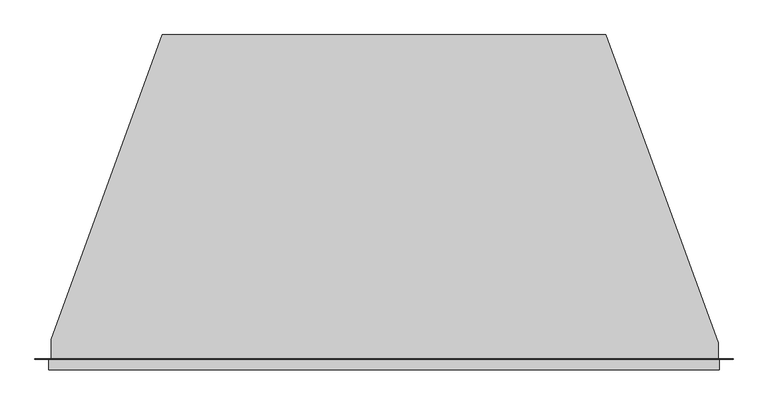
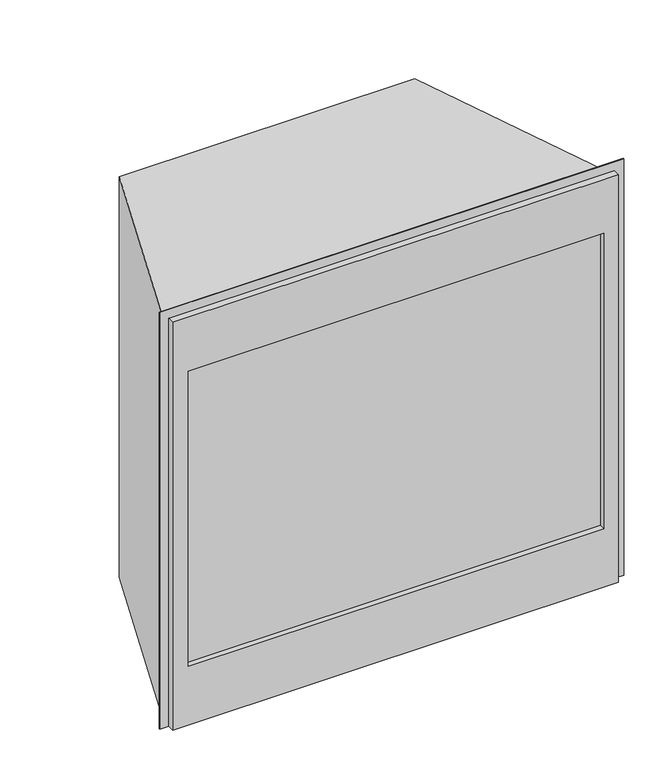
"""IFC4 building model written with IfcOpenShell, lengths in millimetres: proxy geometry."""

import ifcopenshell
import ifcopenshell.guid

model = None  # the IFC model being written
_history = None  # IfcOwnerHistory: only IFC2X3 demands one
_inside = {}  # id of a spatial element -> (the spatial element, [elements in it])
_under = {}  # id of a project, library or spatial element -> (it, [spatial elements below it])
_declared = {}  # id of a project -> (the project, [libraries it declares])
_typed = {}  # id of a type object -> (the type object, [elements of that type])
_made_of = {}  # id of a material, layer set ... -> (it, [elements and type objects made of it])


def new_model(schema):
    """Start an empty IFC model of exactly this schema.

    Asked for "IFC4X3", IfcOpenShell would pick the latest addendum, in which some entities
    have other attributes; the version numbers below select the first issue.
    IFC2X3 requires an IfcOwnerHistory on every rooted entity: one is made here for all.
    """
    global model, _history
    if schema == "IFC4X3":
        model = ifcopenshell.file(schema_version=(4, 3, 0, 0))
    else:
        model = ifcopenshell.file(schema=schema)
    _inside.clear()
    _under.clear()
    _declared.clear()
    _typed.clear()
    _made_of.clear()
    _history = None
    if model.schema == "IFC2X3":
        org = make("IfcOrganization", Name="unknown")
        user = make(
            "IfcPersonAndOrganization",
            ThePerson=make("IfcPerson", FamilyName="unknown"),
            TheOrganization=org,
        )
        app = make(
            "IfcApplication",
            ApplicationDeveloper=org,
            Version="unknown",
            ApplicationFullName="unknown",
            ApplicationIdentifier="unknown",
        )
        _history = make(
            "IfcOwnerHistory",
            OwningUser=user,
            OwningApplication=app,
            ChangeAction="ADDED",
            CreationDate=0,
        )
    return model


def make(cls, **values):
    """One entity of the class cls with the attributes given. An attribute that is None is left unset."""
    return model.create_entity(
        cls, **{name: value for name, value in values.items() if value is not None}
    )


def rooted(cls, **values):
    """An entity with a GlobalId (a new one), such as an element, a storey or a relation."""
    return make(cls, GlobalId=ifcopenshell.guid.new(), OwnerHistory=_history, **values)


def si_unit(unit_type, name, prefix=None):
    """IfcSIUnit, for example si_unit("LENGTHUNIT", "METRE", prefix="MILLI")."""
    return make("IfcSIUnit", UnitType=unit_type, Prefix=prefix, Name=name)


def assignment(units):
    """IfcUnitAssignment: the units of a project."""
    return None if units is None else make("IfcUnitAssignment", Units=units)


def point(xyz):
    """IfcCartesianPoint."""
    return None if xyz is None else make("IfcCartesianPoint", Coordinates=xyz)


def direction(xyz):
    """IfcDirection."""
    return None if xyz is None else make("IfcDirection", DirectionRatios=xyz)


def frame(location, z_axis=None, x_axis=None):
    """IfcAxis2Placement3D, a coordinate frame: its origin and axes. An axis left out is left unset."""
    return make(
        "IfcAxis2Placement3D",
        Location=point(location),
        Axis=direction(z_axis),
        RefDirection=direction(x_axis),
    )


def origin():
    """The frame at (0, 0, 0) with its axes left unset."""
    return frame((0.0, 0.0, 0.0))


def place(relative_to, where):
    """IfcLocalPlacement: puts the frame where relative to a parent placement (None: the world)."""
    return make(
        "IfcLocalPlacement", PlacementRelTo=relative_to, RelativePlacement=where
    )


def context(
    kind, dimensions, precision=None, world=None, true_north=None, identifier=None
):
    """IfcGeometricRepresentationContext, for example the 3D "Model" context."""
    return make(
        "IfcGeometricRepresentationContext",
        ContextIdentifier=identifier,
        ContextType=kind,
        CoordinateSpaceDimension=dimensions,
        Precision=precision,
        WorldCoordinateSystem=world,
        TrueNorth=true_north,
    )


def project(units=None, contexts=None):
    """IfcProject with its units and contexts."""
    return rooted(
        "IfcProject",
        Name="project",
        RepresentationContexts=contexts,
        UnitsInContext=assignment(units),
    )


def spatial(cls, under=None, at=None, **own):
    """A site, building, storey or space (cls), placed at a placement, below another one or the project."""
    s = rooted(cls, ObjectPlacement=at, **own)
    if under is not None:
        _under.setdefault(under.id(), (under, []))[1].append(s)
    return s


def faces_of(points, faces, orient=None, outer=None):
    """IfcFace entities. A face is a list of loops; a loop is a list of indices into points, from 0.

    orient and outer hold one flag for each loop. By default every Orientation is true, the
    first loop of a face is its IfcFaceOuterBound and the others are IfcFaceBound.
    """
    made = []
    for i, loops in enumerate(faces):
        bounds = []
        for j, loop in enumerate(loops):
            is_outer = j == 0 if outer is None else outer[i][j]
            bounds.append(
                make(
                    "IfcFaceOuterBound" if is_outer else "IfcFaceBound",
                    Bound=make("IfcPolyLoop", Polygon=[points[k] for k in loop]),
                    Orientation=True if orient is None else orient[i][j],
                )
            )
        made.append(make("IfcFace", Bounds=bounds))
    return made


def faceted_brep(points, faces, orient=None, outer=None, voids=None):
    """IfcFacetedBrep: a solid bounded by flat faces; with voids (closed shells), ...WithVoids."""
    shared = [point(p) for p in points]
    hull = make("IfcClosedShell", CfsFaces=faces_of(shared, faces, orient, outer))
    if voids is None:
        return make("IfcFacetedBrep", Outer=hull)
    return make(
        "IfcFacetedBrepWithVoids",
        Outer=hull,
        Voids=[
            make(cls, CfsFaces=faces_of(shared, fs, o, b)) for cls, fs, o, b in voids
        ],
    )


def shape(context_of_items, identifier, shape_type, items):
    """IfcShapeRepresentation: the items that make up one representation, for example the "Body"."""
    return make(
        "IfcShapeRepresentation",
        ContextOfItems=context_of_items,
        RepresentationIdentifier=identifier,
        RepresentationType=shape_type,
        Items=items,
    )


def source(mapping_origin, context_of_items, identifier, shape_type, items):
    """IfcRepresentationMap: a shape defined once, which mapped items show again and again."""
    return make(
        "IfcRepresentationMap",
        MappingOrigin=mapping_origin,
        MappedRepresentation=shape(context_of_items, identifier, shape_type, items),
    )


def transform(
    local_origin,
    x_axis=None,
    y_axis=None,
    z_axis=None,
    scale=None,
    scale2=None,
    scale3=None,
    uniform=True,
):
    """IfcCartesianTransformationOperator3D, or its non-uniform kind. x_axis, y_axis, z_axis: its Axis1, 2, 3."""
    if uniform:
        return make(
            "IfcCartesianTransformationOperator3D",
            Axis1=direction(x_axis),
            Axis2=direction(y_axis),
            LocalOrigin=point(local_origin),
            Scale=scale,
            Axis3=direction(z_axis),
        )
    return make(
        "IfcCartesianTransformationOperator3DnonUniform",
        Axis1=direction(x_axis),
        Axis2=direction(y_axis),
        LocalOrigin=point(local_origin),
        Scale=scale,
        Axis3=direction(z_axis),
        Scale2=scale2,
        Scale3=scale3,
    )


def mapped(mapping_source, mapping_target):
    """IfcMappedItem: shows the shape of a source again, moved by a transform."""
    return make(
        "IfcMappedItem", MappingSource=mapping_source, MappingTarget=mapping_target
    )


def made_of(thing, what):
    """Note that an element or type object is made of a material, layer set ...; save() writes the relation."""
    if what is not None:
        _made_of.setdefault(what.id(), (what, []))[1].append(thing)
    return thing


def element(
    cls,
    number,
    at=None,
    inside=None,
    cuts=None,
    type_object=None,
    material=None,
    context=None,
    identifier="Body",
    shape_type=None,
    held_by="IfcProductDefinitionShape",
    body=None,
    shapes=None,
    **own,
):
    """One element of the class cls, such as IfcWall. Its Tag is "e" and its number.

    at: its placement. inside: the storey or other place that contains it. cuts: it is an
    opening in that element (IfcRelVoidsElement). A single representation is given by context,
    identifier, shape_type and body (its items); several are given by shapes. held_by: the class
    of the entity that holds the representations. save() writes the other relations.
    """
    e = rooted(cls, Tag="e%d" % number, ObjectPlacement=at, **own)
    if body is not None:
        shapes = [shape(context, identifier, shape_type, body)]
    if shapes is not None:
        e.Representation = make(held_by, Representations=shapes)
    if inside is not None:
        _inside.setdefault(inside.id(), (inside, []))[1].append(e)
    if cuts is not None:
        rooted(
            "IfcRelVoidsElement", RelatingBuildingElement=cuts, RelatedOpeningElement=e
        )
    if type_object is not None:
        _typed.setdefault(type_object.id(), (type_object, []))[1].append(e)
    return made_of(e, material)


def aggregate(whole, parts):
    """IfcRelAggregates: a whole, such as a stair, and the parts it consists of."""
    return rooted("IfcRelAggregates", RelatingObject=whole, RelatedObjects=parts)


def save(model, path):
    """Write the relations noted so far, then the file.

    IfcRelAggregates (storeys below a building ...), IfcRelContainedInSpatialStructure (elements
    in a storey), IfcRelDefinesByType, IfcRelAssociatesMaterial and IfcRelDeclares: one each for
    every whole, place, type object, material and project.
    """
    for whole, parts in _under.values():
        aggregate(whole, parts)
    for where, things in _inside.values():
        rooted(
            "IfcRelContainedInSpatialStructure",
            RelatedElements=things,
            RelatingStructure=where,
        )
    for kind, things in _typed.values():
        rooted("IfcRelDefinesByType", RelatedObjects=things, RelatingType=kind)
    for what, things in _made_of.values():
        rooted("IfcRelAssociatesMaterial", RelatedObjects=things, RelatingMaterial=what)
    for by, libraries in _declared.values():
        rooted("IfcRelDeclares", RelatingContext=by, RelatedDefinitions=libraries)
    model.write(path)


def generic_models_8d74883a(model_context):
    return source(origin(), model_context, "Body", "Brep", [
        faceted_brep([(-480.1892606, -0.79375, 927.1), (-480.1892606, -15.8496, 927.1), (478.6607394, -15.8496, 927.1), (478.6607394, -0.79375, 927.1), (478.6607394, -0.79375, 0.0), (478.6607394, -15.8496, 0.0), (-480.1892606, -15.8496, 0.0), (-480.1892606, -0.79375, 0.0), (-500.0012606, -0.79375, 0.0), (-500.0012606, 0.0, 0.0), (-477.0142606, 0.0, 0.0), (-477.0142606, 27.3962954, 0.0), (-318.2828839, 463.5071686, 0.0), (316.7543627, 463.5071686, 0.0), (477.1367394, 22.8602101, 0.0), (477.1367394, 0.0, 0.0), (498.4727394, 0.0, 0.0), (498.4727394, -0.79375, 0.0), (-446.88125, -15.8496, 804.8625), (446.88125, -15.8496, 804.8625), (446.88125, -15.8496, 133.35), (-446.88125, -15.8496, 133.35), (498.4727394, 0.0, 947.7375), (-500.0012606, 0.0, 947.7375), (-500.0012606, -0.79375, 947.7375), (498.4727394, -0.79375, 947.7375), (477.1367394, 0.0, 911.225), (-477.0142606, 0.0, 911.225), (446.88125, -3.7663142, 804.8625), (-446.88125, -3.7663142, 804.8625), (-446.88125, -3.7663142, 133.35), (446.88125, -3.7663142, 133.35), (477.1367394, 22.8602101, 911.225), (316.7543627, 463.5071686, 911.225), (-318.2828839, 463.5071686, 911.225), (-477.0142606, 27.3962954, 911.225)], [[[0, 1, 2, 3]], [[4, 5, 6, 7, 8, 9, 10, 11, 12, 13, 14, 15, 16, 17]], [[1, 0, 7, 6]], [[2, 1, 6, 5], [18, 19, 20, 21]], [[3, 2, 5, 4]], [[22, 23, 24, 25]], [[23, 22, 16, 15, 26, 27, 10, 9]], [[24, 23, 9, 8]], [[25, 24, 8, 7, 0, 3, 4, 17]], [[22, 25, 17, 16]], [[28, 29, 30, 31]], [[29, 28, 19, 18]], [[30, 29, 18, 21]], [[31, 30, 21, 20]], [[28, 31, 20, 19]], [[26, 32, 33, 34, 35, 27]], [[32, 26, 15, 14]], [[33, 32, 14, 13]], [[34, 33, 13, 12]], [[35, 34, 12, 11]], [[27, 35, 11, 10]]]),
    ])


if __name__ == "__main__":
    model = new_model("IFC4")
    model_context = context("Model", 3, world=origin())
    ifc_project = project(units=[si_unit("LENGTHUNIT", "METRE", prefix="MILLI")], contexts=[model_context])
    site = spatial("IfcSite", under=ifc_project)
    building = spatial("IfcBuilding", under=site)
    placement = place(None, origin())
    generic_models_shape = generic_models_8d74883a(model_context)
    element("IfcBuildingElementProxy", 1, Name="Generic Models", at=placement, inside=building, context=model_context, shape_type="MappedRepresentation", body=[
        mapped(generic_models_shape, transform((0.0, 0.0, 0.0), x_axis=(1.0, 0.0, 0.0), y_axis=(0.0, 1.0, 0.0), z_axis=(0.0, 0.0, 1.0))),
    ])
    save(model, "model.ifc")
